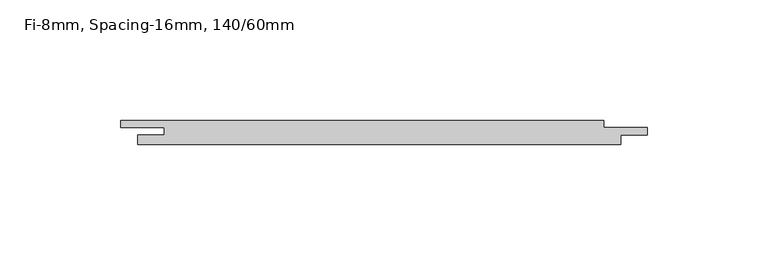
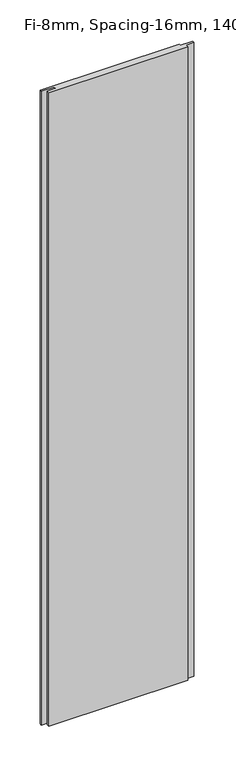
"""IFC4 building model written with IfcOpenShell, lengths in millimetres: plate geometry, Fi-8mm, Spacing-16mm, 140/60mm."""

from ifc_helpers import new_model, si_unit, origin, origin_with_axes, place, context, project, spatial, polyline, outline, extrude, source, transform, mapped, element, save


def fi_8mm_spacing_16mm_140_60mm_2d1a1c33(model_context):
    return source(origin(), model_context, "Body", "SweptSolid", [
        extrude(outline(polyline([(93.0, 5.0), (93.0, 2.0), (111.0, 2.0), (111.0, -1.0), (100.0, -1.0), (100.0, -5.0), (-100.0, -5.0), (-100.0, -1.0), (-89.0, -1.0), (-89.0, 2.0), (-107.0, 2.0), (-107.0, 5.0), (93.0, 5.0)])), origin_with_axes(), (0.0, 0.0, 1.0), 964.5),
    ])


if __name__ == "__main__":
    model = new_model("IFC4")
    model_context = context("Model", 3, world=origin())
    ifc_project = project(units=[si_unit("LENGTHUNIT", "METRE", prefix="MILLI")], contexts=[model_context])
    site = spatial("IfcSite", under=ifc_project)
    building = spatial("IfcBuilding", under=site)
    placement = place(None, origin())
    fi_8mm_spacing_16mm_140_60mm_shape = fi_8mm_spacing_16mm_140_60mm_2d1a1c33(model_context)
    element("IfcPlate", 1, ObjectType="Fi-8mm, Spacing-16mm, 140/60mm", at=placement, inside=building, context=model_context, shape_type="MappedRepresentation", body=[
        mapped(fi_8mm_spacing_16mm_140_60mm_shape, transform((0.0, 0.0, 0.0), x_axis=(1.0, 0.0, 0.0), y_axis=(0.0, 1.0, 0.0), z_axis=(0.0, 0.0, 1.0))),
    ])
    save(model, "model.ifc")
